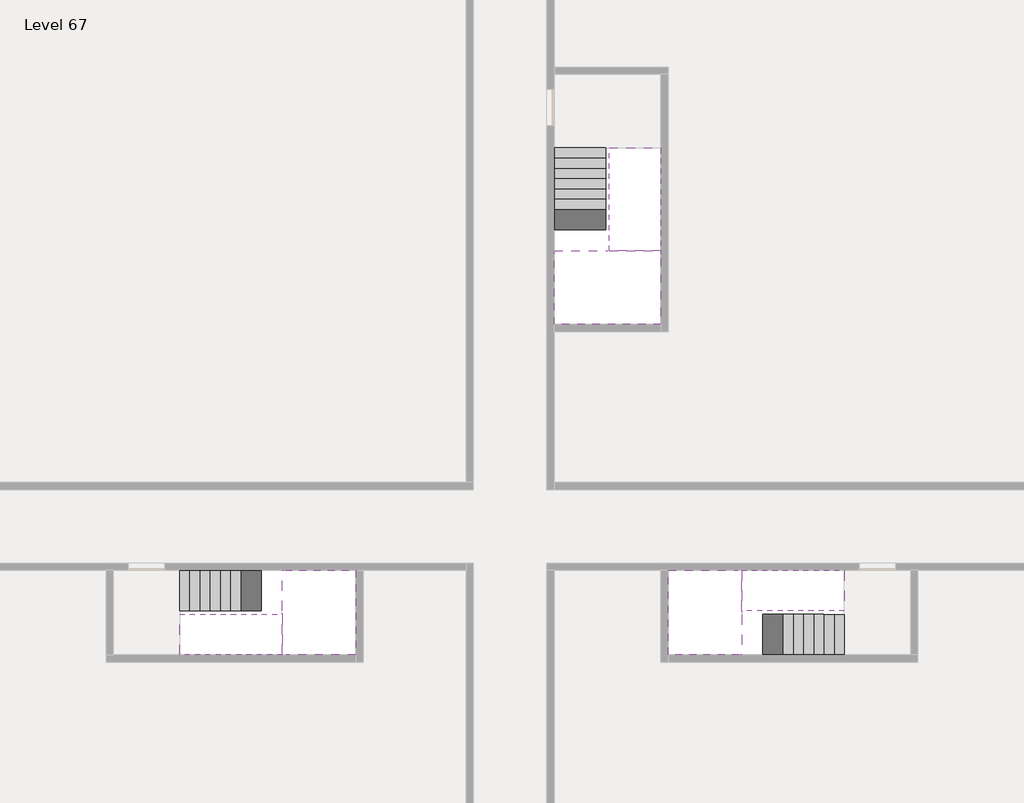
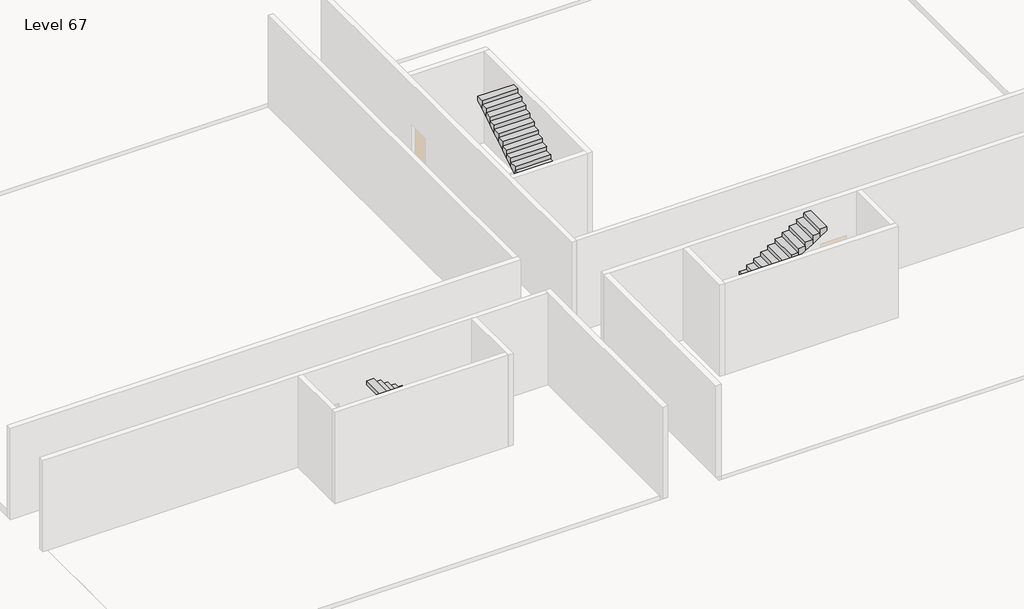
# One storey, part 2 of 2: 6 stair flights, 3 slabs.
"""IFC4 building model written with IfcOpenShell, lengths in millimetres."""

from ifc_helpers import new_model, si_unit, origin, place, context, project, spatial, faceted_brep, element, save

model = new_model("IFC4")

# Units and contexts
model_context = context("Model", 3, world=origin())
ifc_project = project(units=[si_unit("LENGTHUNIT", "METRE", prefix="MILLI")], contexts=[model_context])

# Site, building, storey
site = spatial("IfcSite", under=ifc_project)
building = spatial("IfcBuilding", under=site)
storey = spatial("IfcBuildingStorey", under=building, Name="Level 67", Elevation=250800.0)

# Slabs
placement = place(None, origin())
element("IfcSlab", 1, at=placement, inside=storey, context=model_context, shape_type="Brep", body=[
    faceted_brep([(26790.1058784, -34218.09644, 252700.0), (25390.1058784, -34218.09644, 252700.0), (25390.1058784, -34297.4828763, 252700.0), (25390.1058784, -36218.09644, 252700.0), (28290.1058784, -36218.09644, 252700.0), (28290.1058784, -34418.7100038, 252700.0), (28290.1058784, -34218.09644, 252700.0), (26890.1058784, -34218.09644, 252700.0), (26790.1058784, -34218.09644, 252400.0), (26790.1058784, -34218.09644, 252351.0278478), (25390.1058784, -34218.09644, 252351.0278478), (25390.1058784, -34218.09644, 252527.2727273), (25390.1058784, -34297.4828763, 252400.0), (25390.1058784, -36218.09644, 252400.0), (28290.1058784, -36218.09644, 252400.0), (28290.1058784, -34418.7100038, 252400.0), (28290.1058784, -34218.09644, 252523.7551205), (26890.1058784, -34218.09644, 252523.7551205), (26890.1058784, -34218.09644, 252400.0), (26890.1058784, -34418.7100038, 252400.0), (26790.1058784, -34297.4828763, 252400.0)], [[[0, 1, 2, 3, 4, 5, 6, 7]], [[1, 0, 8, 9, 10, 11]], [[1, 11, 10, 12, 13, 3, 2]], [[4, 3, 13, 14]], [[4, 14, 15, 16, 6, 5]], [[7, 6, 16, 17]], [[0, 7, 17, 18, 8]], [[18, 19, 15, 14, 13, 12, 20, 8]], [[19, 18, 17]], [[20, 12, 10, 9]], [[8, 20, 9]], [[15, 19, 17, 16]]]),
])
element("IfcSlab", 2, at=placement, inside=storey, context=model_context, shape_type="Brep", body=[
    faceted_brep([(30490.1058784, -45218.09644, 252700.0), (30490.1058784, -44118.09644, 252700.0), (30490.1058784, -44018.09644, 252700.0), (30490.1058784, -42918.09644, 252700.0), (30289.4923146, -42918.09644, 252700.0), (28490.1058784, -42918.09644, 252700.0), (28490.1058784, -45218.09644, 252700.0), (30410.7194421, -45218.09644, 252700.0), (30490.1058784, -45218.09644, 252527.2727273), (30490.1058784, -45218.09644, 252351.0278478), (30490.1058784, -44118.09644, 252351.0278478), (30490.1058784, -44118.09644, 252400.0), (30490.1058784, -44018.09644, 252400.0), (30490.1058784, -44018.09644, 252523.7551205), (30490.1058784, -42918.09644, 252523.7551205), (30289.4923146, -42918.09644, 252400.0), (28490.1058784, -42918.09644, 252400.0), (28490.1058784, -45218.09644, 252400.0), (30410.7194421, -45218.09644, 252400.0), (30289.4923146, -44018.09644, 252400.0), (30410.7194421, -44118.09644, 252400.0)], [[[0, 1, 2, 3, 4, 5, 6, 7]], [[1, 0, 8, 9, 10, 11]], [[2, 1, 11, 12, 13]], [[3, 2, 13, 14]], [[3, 14, 15, 16, 5, 4]], [[6, 5, 16, 17]], [[9, 8, 0, 7, 6, 17, 18]], [[19, 12, 11, 20, 18, 17, 16, 15]], [[12, 19, 13]], [[18, 20, 10, 9]], [[20, 11, 10]], [[19, 15, 14, 13]]]),
])
element("IfcSlab", 3, at=placement, inside=storey, context=model_context, shape_type="Brep", body=[
    faceted_brep([(17990.1058784, -42918.09644, 252700.0), (17990.1058784, -44018.09644, 252700.0), (17990.1058784, -44118.09644, 252700.0), (17990.1058784, -45218.09644, 252700.0), (18190.7194421, -45218.09644, 252700.0), (19990.1058784, -45218.09644, 252700.0), (19990.1058784, -42918.09644, 252700.0), (18069.4923146, -42918.09644, 252700.0), (17990.1058784, -42918.09644, 252527.2727273), (17990.1058784, -42918.09644, 252351.0278478), (17990.1058784, -44018.09644, 252351.0278478), (17990.1058784, -44018.09644, 252400.0), (17990.1058784, -44118.09644, 252400.0), (17990.1058784, -44118.09644, 252523.7551205), (17990.1058784, -45218.09644, 252523.7551205), (18190.7194421, -45218.09644, 252400.0), (19990.1058784, -45218.09644, 252400.0), (19990.1058784, -42918.09644, 252400.0), (18069.4923146, -42918.09644, 252400.0), (18190.7194421, -44118.09644, 252400.0), (18069.4923146, -44018.09644, 252400.0)], [[[0, 1, 2, 3, 4, 5, 6, 7]], [[1, 0, 8, 9, 10, 11]], [[2, 1, 11, 12, 13]], [[3, 2, 13, 14]], [[3, 14, 15, 16, 5, 4]], [[6, 5, 16, 17]], [[9, 8, 0, 7, 6, 17, 18]], [[19, 12, 11, 20, 18, 17, 16, 15]], [[12, 19, 13]], [[18, 20, 10, 9]], [[20, 11, 10]], [[19, 15, 14, 13]]]),
])

# Stair flights
element("IfcStairFlight", 4, at=placement, inside=storey, context=model_context, shape_type="Brep", body=[
    faceted_brep([(26790.1058784, -31698.09644, 250972.7272727), (26790.1058784, -31418.09644, 250972.7272727), (25390.1058784, -31418.09644, 250972.7272727), (25390.1058784, -31698.09644, 250972.7272727), (26790.1058784, -31698.09644, 250800.0), (26790.1058784, -31418.09644, 250800.0), (25390.1058784, -31418.09644, 250800.0), (25390.1058784, -31698.09644, 250800.0), (26790.1058784, -31978.09644, 251145.4545455), (26790.1058784, -31698.09644, 251145.4545455), (25390.1058784, -31698.09644, 251145.4545455), (25390.1058784, -31978.09644, 251145.4545455), (26790.1058784, -31978.09644, 250969.209666), (26790.1058784, -31703.7986657, 250800.0), (25390.1058784, -31703.7986657, 250800.0), (25390.1058784, -31978.09644, 250969.209666), (26790.1058784, -32258.09644, 251318.1818182), (26790.1058784, -31978.09644, 251318.1818182), (25390.1058784, -31978.09644, 251318.1818182), (25390.1058784, -32258.09644, 251318.1818182), (26790.1058784, -32258.09644, 251141.9369387), (25390.1058784, -32258.09644, 251141.9369387), (26790.1058784, -32538.09644, 251490.9090909), (26790.1058784, -32258.09644, 251490.9090909), (25390.1058784, -32258.09644, 251490.9090909), (25390.1058784, -32538.09644, 251490.9090909), (26790.1058784, -32538.09644, 251314.6642114), (25390.1058784, -32538.09644, 251314.6642114), (26790.1058784, -32818.09644, 251663.6363636), (26790.1058784, -32538.09644, 251663.6363636), (25390.1058784, -32538.09644, 251663.6363636), (25390.1058784, -32818.09644, 251663.6363636), (26790.1058784, -32818.09644, 251487.3914841), (25390.1058784, -32818.09644, 251487.3914841), (26790.1058784, -33098.09644, 251836.3636364), (26790.1058784, -32818.09644, 251836.3636364), (25390.1058784, -32818.09644, 251836.3636364), (25390.1058784, -33098.09644, 251836.3636364), (26790.1058784, -33098.09644, 251660.1187569), (25390.1058784, -33098.09644, 251660.1187569), (26790.1058784, -33378.09644, 252009.0909091), (26790.1058784, -33098.09644, 252009.0909091), (25390.1058784, -33098.09644, 252009.0909091), (25390.1058784, -33378.09644, 252009.0909091), (26790.1058784, -33378.09644, 251832.8460296), (25390.1058784, -33378.09644, 251832.8460296), (26790.1058784, -33658.09644, 252181.8181818), (26790.1058784, -33378.09644, 252181.8181818), (25390.1058784, -33378.09644, 252181.8181818), (25390.1058784, -33658.09644, 252181.8181818), (26790.1058784, -33658.09644, 252005.5733023), (25390.1058784, -33658.09644, 252005.5733023), (26790.1058784, -33938.09644, 252354.5454545), (26790.1058784, -33658.09644, 252354.5454545), (25390.1058784, -33658.09644, 252354.5454545), (25390.1058784, -33938.09644, 252354.5454545), (26790.1058784, -33938.09644, 252178.3005751), (25390.1058784, -33938.09644, 252178.3005751), (26790.1058784, -34218.09644, 252527.2727273), (26790.1058784, -33938.09644, 252527.2727273), (25390.1058784, -33938.09644, 252527.2727273), (25390.1058784, -34218.09644, 252527.2727273), (26790.1058784, -34218.09644, 252400.0), (26790.1058784, -34218.09644, 252351.0278478), (25390.1058784, -34218.09644, 252351.0278478)], [[[0, 1, 2, 3]], [[1, 0, 4, 5]], [[2, 1, 5, 6]], [[3, 2, 6, 7]], [[8, 9, 10, 11]], [[4, 0, 9, 8, 12, 13]], [[0, 3, 10, 9]], [[3, 7, 14, 15, 11, 10]], [[16, 17, 18, 19]], [[17, 16, 20, 12, 8]], [[8, 11, 18, 17]], [[19, 18, 11, 15, 21]], [[22, 23, 24, 25]], [[23, 22, 26, 20, 16]], [[16, 19, 24, 23]], [[25, 24, 19, 21, 27]], [[28, 29, 30, 31]], [[29, 28, 32, 26, 22]], [[22, 25, 30, 29]], [[31, 30, 25, 27, 33]], [[34, 35, 36, 37]], [[35, 34, 38, 32, 28]], [[28, 31, 36, 35]], [[37, 36, 31, 33, 39]], [[40, 41, 42, 43]], [[41, 40, 44, 38, 34]], [[34, 37, 42, 41]], [[43, 42, 37, 39, 45]], [[46, 47, 48, 49]], [[47, 46, 50, 44, 40]], [[40, 43, 48, 47]], [[49, 48, 43, 45, 51]], [[52, 53, 54, 55]], [[53, 52, 56, 50, 46]], [[46, 49, 54, 53]], [[55, 54, 49, 51, 57]], [[58, 59, 60, 61]], [[59, 58, 62, 63, 56, 52]], [[52, 55, 60, 59]], [[61, 60, 55, 57, 64]], [[58, 61, 64, 63, 62]], [[5, 4, 13, 14, 7, 6]], [[14, 13, 12, 20, 26, 32, 38, 44, 50, 56, 63, 64, 57, 51, 45, 39, 33, 27, 21, 15]]]),
])
element("IfcStairFlight", 5, at=placement, inside=storey, context=model_context, shape_type="Brep", body=[
    faceted_brep([(26890.1058784, -33938.09644, 252872.7272727), (26890.1058784, -34218.09644, 252872.7272727), (28290.1058784, -34218.09644, 252872.7272727), (28290.1058784, -33938.09644, 252872.7272727), (26890.1058784, -33938.09644, 252696.4823932), (26890.1058784, -34218.09644, 252523.7551205), (28290.1058784, -34218.09644, 252523.7551205), (28290.1058784, -34218.09644, 252700.0), (28290.1058784, -33938.09644, 252696.4823932), (26890.1058784, -33658.09644, 253045.4545455), (26890.1058784, -33938.09644, 253045.4545455), (28290.1058784, -33938.09644, 253045.4545455), (28290.1058784, -33658.09644, 253045.4545455), (26890.1058784, -33658.09644, 252869.209666), (28290.1058784, -33658.09644, 252869.209666), (26890.1058784, -33378.09644, 253218.1818182), (26890.1058784, -33658.09644, 253218.1818182), (28290.1058784, -33658.09644, 253218.1818182), (28290.1058784, -33378.09644, 253218.1818182), (26890.1058784, -33378.09644, 253041.9369387), (28290.1058784, -33378.09644, 253041.9369387), (26890.1058784, -33098.09644, 253390.9090909), (26890.1058784, -33378.09644, 253390.9090909), (28290.1058784, -33378.09644, 253390.9090909), (28290.1058784, -33098.09644, 253390.9090909), (26890.1058784, -33098.09644, 253214.6642114), (28290.1058784, -33098.09644, 253214.6642114), (26890.1058784, -32818.09644, 253563.6363636), (26890.1058784, -33098.09644, 253563.6363636), (28290.1058784, -33098.09644, 253563.6363636), (28290.1058784, -32818.09644, 253563.6363636), (26890.1058784, -32818.09644, 253387.3914841), (28290.1058784, -32818.09644, 253387.3914841), (26890.1058784, -32538.09644, 253736.3636364), (26890.1058784, -32818.09644, 253736.3636364), (28290.1058784, -32818.09644, 253736.3636364), (28290.1058784, -32538.09644, 253736.3636364), (26890.1058784, -32538.09644, 253560.1187569), (28290.1058784, -32538.09644, 253560.1187569), (26890.1058784, -32258.09644, 253909.0909091), (26890.1058784, -32538.09644, 253909.0909091), (28290.1058784, -32538.09644, 253909.0909091), (28290.1058784, -32258.09644, 253909.0909091), (26890.1058784, -32258.09644, 253732.8460296), (28290.1058784, -32258.09644, 253732.8460296), (26890.1058784, -31978.09644, 254081.8181818), (26890.1058784, -32258.09644, 254081.8181818), (28290.1058784, -32258.09644, 254081.8181818), (28290.1058784, -31978.09644, 254081.8181818), (26890.1058784, -31978.09644, 253905.5733023), (28290.1058784, -31978.09644, 253905.5733023), (26890.1058784, -31698.09644, 254254.5454545), (26890.1058784, -31978.09644, 254254.5454545), (28290.1058784, -31978.09644, 254254.5454545), (28290.1058784, -31698.09644, 254254.5454545), (26890.1058784, -31698.09644, 254078.3005751), (28290.1058784, -31698.09644, 254078.3005751), (26890.1058784, -31418.09644, 254427.2727273), (26890.1058784, -31698.09644, 254427.2727273), (28290.1058784, -31698.09644, 254427.2727273), (28290.1058784, -31418.09644, 254427.2727273), (26890.1058784, -31418.09644, 254251.0278478), (28290.1058784, -31418.09644, 254251.0278478)], [[[0, 1, 2, 3]], [[1, 0, 4, 5]], [[2, 1, 5, 6, 7]], [[3, 2, 7, 6, 8]], [[9, 10, 11, 12]], [[10, 9, 13, 4, 0]], [[11, 10, 0, 3]], [[12, 11, 3, 8, 14]], [[15, 16, 17, 18]], [[16, 15, 19, 13, 9]], [[17, 16, 9, 12]], [[18, 17, 12, 14, 20]], [[21, 22, 23, 24]], [[22, 21, 25, 19, 15]], [[23, 22, 15, 18]], [[24, 23, 18, 20, 26]], [[27, 28, 29, 30]], [[28, 27, 31, 25, 21]], [[29, 28, 21, 24]], [[30, 29, 24, 26, 32]], [[33, 34, 35, 36]], [[34, 33, 37, 31, 27]], [[35, 34, 27, 30]], [[36, 35, 30, 32, 38]], [[39, 40, 41, 42]], [[40, 39, 43, 37, 33]], [[41, 40, 33, 36]], [[42, 41, 36, 38, 44]], [[45, 46, 47, 48]], [[46, 45, 49, 43, 39]], [[47, 46, 39, 42]], [[48, 47, 42, 44, 50]], [[51, 52, 53, 54]], [[52, 51, 55, 49, 45]], [[53, 52, 45, 48]], [[54, 53, 48, 50, 56]], [[57, 58, 59, 60]], [[58, 57, 61, 55, 51]], [[59, 58, 51, 54]], [[60, 59, 54, 56, 62]], [[57, 60, 62, 61]], [[5, 4, 13, 19, 25, 31, 37, 43, 49, 55, 61, 62, 56, 50, 44, 38, 32, 26, 20, 14, 8, 6]]]),
])
element("IfcStairFlight", 6, at=placement, inside=storey, context=model_context, shape_type="Brep", body=[
    faceted_brep([(33010.1058784, -45218.09644, 250972.7272727), (33290.1058784, -45218.09644, 250972.7272727), (33290.1058784, -44118.09644, 250972.7272727), (33010.1058784, -44118.09644, 250972.7272727), (33010.1058784, -45218.09644, 250800.0), (33290.1058784, -45218.09644, 250800.0), (33290.1058784, -44118.09644, 250800.0), (33010.1058784, -44118.09644, 250800.0), (32730.1058784, -45218.09644, 251145.4545455), (33010.1058784, -45218.09644, 251145.4545455), (33010.1058784, -44118.09644, 251145.4545455), (32730.1058784, -44118.09644, 251145.4545455), (32730.1058784, -45218.09644, 250969.209666), (33004.4036527, -45218.09644, 250800.0), (33004.4036527, -44118.09644, 250800.0), (32730.1058784, -44118.09644, 250969.209666), (32450.1058784, -45218.09644, 251318.1818182), (32730.1058784, -45218.09644, 251318.1818182), (32730.1058784, -44118.09644, 251318.1818182), (32450.1058784, -44118.09644, 251318.1818182), (32450.1058784, -45218.09644, 251141.9369387), (32450.1058784, -44118.09644, 251141.9369387), (32170.1058784, -45218.09644, 251490.9090909), (32450.1058784, -45218.09644, 251490.9090909), (32450.1058784, -44118.09644, 251490.9090909), (32170.1058784, -44118.09644, 251490.9090909), (32170.1058784, -45218.09644, 251314.6642114), (32170.1058784, -44118.09644, 251314.6642114), (31890.1058784, -45218.09644, 251663.6363636), (32170.1058784, -45218.09644, 251663.6363636), (32170.1058784, -44118.09644, 251663.6363636), (31890.1058784, -44118.09644, 251663.6363636), (31890.1058784, -45218.09644, 251487.3914841), (31890.1058784, -44118.09644, 251487.3914841), (31610.1058784, -45218.09644, 251836.3636364), (31890.1058784, -45218.09644, 251836.3636364), (31890.1058784, -44118.09644, 251836.3636364), (31610.1058784, -44118.09644, 251836.3636364), (31610.1058784, -45218.09644, 251660.1187569), (31610.1058784, -44118.09644, 251660.1187569), (31330.1058784, -45218.09644, 252009.0909091), (31610.1058784, -45218.09644, 252009.0909091), (31610.1058784, -44118.09644, 252009.0909091), (31330.1058784, -44118.09644, 252009.0909091), (31330.1058784, -45218.09644, 251832.8460296), (31330.1058784, -44118.09644, 251832.8460296), (31050.1058784, -45218.09644, 252181.8181818), (31330.1058784, -45218.09644, 252181.8181818), (31330.1058784, -44118.09644, 252181.8181818), (31050.1058784, -44118.09644, 252181.8181818), (31050.1058784, -45218.09644, 252005.5733023), (31050.1058784, -44118.09644, 252005.5733023), (30770.1058784, -45218.09644, 252354.5454545), (31050.1058784, -45218.09644, 252354.5454545), (31050.1058784, -44118.09644, 252354.5454545), (30770.1058784, -44118.09644, 252354.5454545), (30770.1058784, -45218.09644, 252178.3005751), (30770.1058784, -44118.09644, 252178.3005751), (30490.1058784, -45218.09644, 252527.2727273), (30770.1058784, -45218.09644, 252527.2727273), (30770.1058784, -44118.09644, 252527.2727273), (30490.1058784, -44118.09644, 252527.2727273), (30490.1058784, -45218.09644, 252351.0278478), (30490.1058784, -44118.09644, 252351.0278478), (30490.1058784, -44118.09644, 252400.0)], [[[0, 1, 2, 3]], [[1, 0, 4, 5]], [[2, 1, 5, 6]], [[3, 2, 6, 7]], [[8, 9, 10, 11]], [[4, 0, 9, 8, 12, 13]], [[0, 3, 10, 9]], [[3, 7, 14, 15, 11, 10]], [[16, 17, 18, 19]], [[17, 16, 20, 12, 8]], [[8, 11, 18, 17]], [[19, 18, 11, 15, 21]], [[22, 23, 24, 25]], [[23, 22, 26, 20, 16]], [[16, 19, 24, 23]], [[25, 24, 19, 21, 27]], [[28, 29, 30, 31]], [[29, 28, 32, 26, 22]], [[22, 25, 30, 29]], [[31, 30, 25, 27, 33]], [[34, 35, 36, 37]], [[35, 34, 38, 32, 28]], [[28, 31, 36, 35]], [[37, 36, 31, 33, 39]], [[40, 41, 42, 43]], [[41, 40, 44, 38, 34]], [[34, 37, 42, 41]], [[43, 42, 37, 39, 45]], [[46, 47, 48, 49]], [[47, 46, 50, 44, 40]], [[40, 43, 48, 47]], [[49, 48, 43, 45, 51]], [[52, 53, 54, 55]], [[53, 52, 56, 50, 46]], [[46, 49, 54, 53]], [[55, 54, 49, 51, 57]], [[58, 59, 60, 61]], [[59, 58, 62, 56, 52]], [[52, 55, 60, 59]], [[61, 60, 55, 57, 63, 64]], [[58, 61, 64, 63, 62]], [[5, 4, 13, 14, 7, 6]], [[14, 13, 12, 20, 26, 32, 38, 44, 50, 56, 62, 63, 57, 51, 45, 39, 33, 27, 21, 15]]]),
])
element("IfcStairFlight", 7, at=placement, inside=storey, context=model_context, shape_type="Brep", body=[
    faceted_brep([(30770.1058784, -42918.09644, 252872.7272727), (30490.1058784, -42918.09644, 252872.7272727), (30490.1058784, -44018.09644, 252872.7272727), (30770.1058784, -44018.09644, 252872.7272727), (30770.1058784, -42918.09644, 252696.4823932), (30490.1058784, -42918.09644, 252523.7551205), (30490.1058784, -42918.09644, 252700.0), (30490.1058784, -44018.09644, 252523.7551205), (30770.1058784, -44018.09644, 252696.4823932), (31050.1058784, -42918.09644, 253045.4545455), (30770.1058784, -42918.09644, 253045.4545455), (30770.1058784, -44018.09644, 253045.4545455), (31050.1058784, -44018.09644, 253045.4545455), (31050.1058784, -42918.09644, 252869.209666), (31050.1058784, -44018.09644, 252869.209666), (31330.1058784, -42918.09644, 253218.1818182), (31050.1058784, -42918.09644, 253218.1818182), (31050.1058784, -44018.09644, 253218.1818182), (31330.1058784, -44018.09644, 253218.1818182), (31330.1058784, -42918.09644, 253041.9369387), (31330.1058784, -44018.09644, 253041.9369387), (31610.1058784, -42918.09644, 253390.9090909), (31330.1058784, -42918.09644, 253390.9090909), (31330.1058784, -44018.09644, 253390.9090909), (31610.1058784, -44018.09644, 253390.9090909), (31610.1058784, -42918.09644, 253214.6642114), (31610.1058784, -44018.09644, 253214.6642114), (31890.1058784, -42918.09644, 253563.6363636), (31610.1058784, -42918.09644, 253563.6363636), (31610.1058784, -44018.09644, 253563.6363636), (31890.1058784, -44018.09644, 253563.6363636), (31890.1058784, -42918.09644, 253387.3914841), (31890.1058784, -44018.09644, 253387.3914841), (32170.1058784, -42918.09644, 253736.3636364), (31890.1058784, -42918.09644, 253736.3636364), (31890.1058784, -44018.09644, 253736.3636364), (32170.1058784, -44018.09644, 253736.3636364), (32170.1058784, -42918.09644, 253560.1187569), (32170.1058784, -44018.09644, 253560.1187569), (32450.1058784, -42918.09644, 253909.0909091), (32170.1058784, -42918.09644, 253909.0909091), (32170.1058784, -44018.09644, 253909.0909091), (32450.1058784, -44018.09644, 253909.0909091), (32450.1058784, -42918.09644, 253732.8460296), (32450.1058784, -44018.09644, 253732.8460296), (32730.1058784, -42918.09644, 254081.8181818), (32450.1058784, -42918.09644, 254081.8181818), (32450.1058784, -44018.09644, 254081.8181818), (32730.1058784, -44018.09644, 254081.8181818), (32730.1058784, -42918.09644, 253905.5733023), (32730.1058784, -44018.09644, 253905.5733023), (33010.1058784, -42918.09644, 254254.5454545), (32730.1058784, -42918.09644, 254254.5454545), (32730.1058784, -44018.09644, 254254.5454545), (33010.1058784, -44018.09644, 254254.5454545), (33010.1058784, -42918.09644, 254078.3005751), (33010.1058784, -44018.09644, 254078.3005751), (33290.1058784, -42918.09644, 254427.2727273), (33010.1058784, -42918.09644, 254427.2727273), (33010.1058784, -44018.09644, 254427.2727273), (33290.1058784, -44018.09644, 254427.2727273), (33290.1058784, -42918.09644, 254251.0278478), (33290.1058784, -44018.09644, 254251.0278478)], [[[0, 1, 2, 3]], [[1, 0, 4, 5, 6]], [[2, 1, 6, 5, 7]], [[3, 2, 7, 8]], [[9, 10, 11, 12]], [[10, 9, 13, 4, 0]], [[11, 10, 0, 3]], [[12, 11, 3, 8, 14]], [[15, 16, 17, 18]], [[16, 15, 19, 13, 9]], [[17, 16, 9, 12]], [[18, 17, 12, 14, 20]], [[21, 22, 23, 24]], [[22, 21, 25, 19, 15]], [[23, 22, 15, 18]], [[24, 23, 18, 20, 26]], [[27, 28, 29, 30]], [[28, 27, 31, 25, 21]], [[29, 28, 21, 24]], [[30, 29, 24, 26, 32]], [[33, 34, 35, 36]], [[34, 33, 37, 31, 27]], [[35, 34, 27, 30]], [[36, 35, 30, 32, 38]], [[39, 40, 41, 42]], [[40, 39, 43, 37, 33]], [[41, 40, 33, 36]], [[42, 41, 36, 38, 44]], [[45, 46, 47, 48]], [[46, 45, 49, 43, 39]], [[47, 46, 39, 42]], [[48, 47, 42, 44, 50]], [[51, 52, 53, 54]], [[52, 51, 55, 49, 45]], [[53, 52, 45, 48]], [[54, 53, 48, 50, 56]], [[57, 58, 59, 60]], [[58, 57, 61, 55, 51]], [[59, 58, 51, 54]], [[60, 59, 54, 56, 62]], [[57, 60, 62, 61]], [[5, 4, 13, 19, 25, 31, 37, 43, 49, 55, 61, 62, 56, 50, 44, 38, 32, 26, 20, 14, 8, 7]]]),
])
element("IfcStairFlight", 8, at=placement, inside=storey, context=model_context, shape_type="Brep", body=[
    faceted_brep([(15470.1058784, -42918.09644, 250972.7272727), (15190.1058784, -42918.09644, 250972.7272727), (15190.1058784, -44018.09644, 250972.7272727), (15470.1058784, -44018.09644, 250972.7272727), (15470.1058784, -42918.09644, 250800.0), (15190.1058784, -42918.09644, 250800.0), (15190.1058784, -44018.09644, 250800.0), (15470.1058784, -44018.09644, 250800.0), (15750.1058784, -42918.09644, 251145.4545455), (15470.1058784, -42918.09644, 251145.4545455), (15470.1058784, -44018.09644, 251145.4545455), (15750.1058784, -44018.09644, 251145.4545455), (15750.1058784, -42918.09644, 250969.209666), (15475.8081041, -42918.09644, 250800.0), (15475.8081041, -44018.09644, 250800.0), (15750.1058784, -44018.09644, 250969.209666), (16030.1058784, -42918.09644, 251318.1818182), (15750.1058784, -42918.09644, 251318.1818182), (15750.1058784, -44018.09644, 251318.1818182), (16030.1058784, -44018.09644, 251318.1818182), (16030.1058784, -42918.09644, 251141.9369387), (16030.1058784, -44018.09644, 251141.9369387), (16310.1058784, -42918.09644, 251490.9090909), (16030.1058784, -42918.09644, 251490.9090909), (16030.1058784, -44018.09644, 251490.9090909), (16310.1058784, -44018.09644, 251490.9090909), (16310.1058784, -42918.09644, 251314.6642114), (16310.1058784, -44018.09644, 251314.6642114), (16590.1058784, -42918.09644, 251663.6363636), (16310.1058784, -42918.09644, 251663.6363636), (16310.1058784, -44018.09644, 251663.6363636), (16590.1058784, -44018.09644, 251663.6363636), (16590.1058784, -42918.09644, 251487.3914841), (16590.1058784, -44018.09644, 251487.3914841), (16870.1058784, -42918.09644, 251836.3636364), (16590.1058784, -42918.09644, 251836.3636364), (16590.1058784, -44018.09644, 251836.3636364), (16870.1058784, -44018.09644, 251836.3636364), (16870.1058784, -42918.09644, 251660.1187569), (16870.1058784, -44018.09644, 251660.1187569), (17150.1058784, -42918.09644, 252009.0909091), (16870.1058784, -42918.09644, 252009.0909091), (16870.1058784, -44018.09644, 252009.0909091), (17150.1058784, -44018.09644, 252009.0909091), (17150.1058784, -42918.09644, 251832.8460296), (17150.1058784, -44018.09644, 251832.8460296), (17430.1058784, -42918.09644, 252181.8181818), (17150.1058784, -42918.09644, 252181.8181818), (17150.1058784, -44018.09644, 252181.8181818), (17430.1058784, -44018.09644, 252181.8181818), (17430.1058784, -42918.09644, 252005.5733023), (17430.1058784, -44018.09644, 252005.5733023), (17710.1058784, -42918.09644, 252354.5454545), (17430.1058784, -42918.09644, 252354.5454545), (17430.1058784, -44018.09644, 252354.5454545), (17710.1058784, -44018.09644, 252354.5454545), (17710.1058784, -42918.09644, 252178.3005751), (17710.1058784, -44018.09644, 252178.3005751), (17990.1058784, -42918.09644, 252527.2727273), (17710.1058784, -42918.09644, 252527.2727273), (17710.1058784, -44018.09644, 252527.2727273), (17990.1058784, -44018.09644, 252527.2727273), (17990.1058784, -42918.09644, 252351.0278478), (17990.1058784, -44018.09644, 252351.0278478), (17990.1058784, -44018.09644, 252400.0)], [[[0, 1, 2, 3]], [[1, 0, 4, 5]], [[2, 1, 5, 6]], [[3, 2, 6, 7]], [[8, 9, 10, 11]], [[4, 0, 9, 8, 12, 13]], [[0, 3, 10, 9]], [[3, 7, 14, 15, 11, 10]], [[16, 17, 18, 19]], [[17, 16, 20, 12, 8]], [[8, 11, 18, 17]], [[19, 18, 11, 15, 21]], [[22, 23, 24, 25]], [[23, 22, 26, 20, 16]], [[16, 19, 24, 23]], [[25, 24, 19, 21, 27]], [[28, 29, 30, 31]], [[29, 28, 32, 26, 22]], [[22, 25, 30, 29]], [[31, 30, 25, 27, 33]], [[34, 35, 36, 37]], [[35, 34, 38, 32, 28]], [[28, 31, 36, 35]], [[37, 36, 31, 33, 39]], [[40, 41, 42, 43]], [[41, 40, 44, 38, 34]], [[34, 37, 42, 41]], [[43, 42, 37, 39, 45]], [[46, 47, 48, 49]], [[47, 46, 50, 44, 40]], [[40, 43, 48, 47]], [[49, 48, 43, 45, 51]], [[52, 53, 54, 55]], [[53, 52, 56, 50, 46]], [[46, 49, 54, 53]], [[55, 54, 49, 51, 57]], [[58, 59, 60, 61]], [[59, 58, 62, 56, 52]], [[52, 55, 60, 59]], [[61, 60, 55, 57, 63, 64]], [[58, 61, 64, 63, 62]], [[5, 4, 13, 14, 7, 6]], [[14, 13, 12, 20, 26, 32, 38, 44, 50, 56, 62, 63, 57, 51, 45, 39, 33, 27, 21, 15]]]),
])
element("IfcStairFlight", 9, at=placement, inside=storey, context=model_context, shape_type="Brep", body=[
    faceted_brep([(17710.1058784, -45218.09644, 252872.7272727), (17990.1058784, -45218.09644, 252872.7272727), (17990.1058784, -44118.09644, 252872.7272727), (17710.1058784, -44118.09644, 252872.7272727), (17710.1058784, -45218.09644, 252696.4823932), (17990.1058784, -45218.09644, 252523.7551205), (17990.1058784, -45218.09644, 252700.0), (17990.1058784, -44118.09644, 252523.7551205), (17710.1058784, -44118.09644, 252696.4823932), (17430.1058784, -45218.09644, 253045.4545455), (17710.1058784, -45218.09644, 253045.4545455), (17710.1058784, -44118.09644, 253045.4545455), (17430.1058784, -44118.09644, 253045.4545455), (17430.1058784, -45218.09644, 252869.209666), (17430.1058784, -44118.09644, 252869.209666), (17150.1058784, -45218.09644, 253218.1818182), (17430.1058784, -45218.09644, 253218.1818182), (17430.1058784, -44118.09644, 253218.1818182), (17150.1058784, -44118.09644, 253218.1818182), (17150.1058784, -45218.09644, 253041.9369387), (17150.1058784, -44118.09644, 253041.9369387), (16870.1058784, -45218.09644, 253390.9090909), (17150.1058784, -45218.09644, 253390.9090909), (17150.1058784, -44118.09644, 253390.9090909), (16870.1058784, -44118.09644, 253390.9090909), (16870.1058784, -45218.09644, 253214.6642114), (16870.1058784, -44118.09644, 253214.6642114), (16590.1058784, -45218.09644, 253563.6363636), (16870.1058784, -45218.09644, 253563.6363636), (16870.1058784, -44118.09644, 253563.6363636), (16590.1058784, -44118.09644, 253563.6363636), (16590.1058784, -45218.09644, 253387.3914841), (16590.1058784, -44118.09644, 253387.3914841), (16310.1058784, -45218.09644, 253736.3636364), (16590.1058784, -45218.09644, 253736.3636364), (16590.1058784, -44118.09644, 253736.3636364), (16310.1058784, -44118.09644, 253736.3636364), (16310.1058784, -45218.09644, 253560.1187569), (16310.1058784, -44118.09644, 253560.1187569), (16030.1058784, -45218.09644, 253909.0909091), (16310.1058784, -45218.09644, 253909.0909091), (16310.1058784, -44118.09644, 253909.0909091), (16030.1058784, -44118.09644, 253909.0909091), (16030.1058784, -45218.09644, 253732.8460296), (16030.1058784, -44118.09644, 253732.8460296), (15750.1058784, -45218.09644, 254081.8181818), (16030.1058784, -45218.09644, 254081.8181818), (16030.1058784, -44118.09644, 254081.8181818), (15750.1058784, -44118.09644, 254081.8181818), (15750.1058784, -45218.09644, 253905.5733023), (15750.1058784, -44118.09644, 253905.5733023), (15470.1058784, -45218.09644, 254254.5454545), (15750.1058784, -45218.09644, 254254.5454545), (15750.1058784, -44118.09644, 254254.5454545), (15470.1058784, -44118.09644, 254254.5454545), (15470.1058784, -45218.09644, 254078.3005751), (15470.1058784, -44118.09644, 254078.3005751), (15190.1058784, -45218.09644, 254427.2727273), (15470.1058784, -45218.09644, 254427.2727273), (15470.1058784, -44118.09644, 254427.2727273), (15190.1058784, -44118.09644, 254427.2727273), (15190.1058784, -45218.09644, 254251.0278478), (15190.1058784, -44118.09644, 254251.0278478)], [[[0, 1, 2, 3]], [[1, 0, 4, 5, 6]], [[2, 1, 6, 5, 7]], [[3, 2, 7, 8]], [[9, 10, 11, 12]], [[10, 9, 13, 4, 0]], [[11, 10, 0, 3]], [[12, 11, 3, 8, 14]], [[15, 16, 17, 18]], [[16, 15, 19, 13, 9]], [[17, 16, 9, 12]], [[18, 17, 12, 14, 20]], [[21, 22, 23, 24]], [[22, 21, 25, 19, 15]], [[23, 22, 15, 18]], [[24, 23, 18, 20, 26]], [[27, 28, 29, 30]], [[28, 27, 31, 25, 21]], [[29, 28, 21, 24]], [[30, 29, 24, 26, 32]], [[33, 34, 35, 36]], [[34, 33, 37, 31, 27]], [[35, 34, 27, 30]], [[36, 35, 30, 32, 38]], [[39, 40, 41, 42]], [[40, 39, 43, 37, 33]], [[41, 40, 33, 36]], [[42, 41, 36, 38, 44]], [[45, 46, 47, 48]], [[46, 45, 49, 43, 39]], [[47, 46, 39, 42]], [[48, 47, 42, 44, 50]], [[51, 52, 53, 54]], [[52, 51, 55, 49, 45]], [[53, 52, 45, 48]], [[54, 53, 48, 50, 56]], [[57, 58, 59, 60]], [[58, 57, 61, 55, 51]], [[59, 58, 51, 54]], [[60, 59, 54, 56, 62]], [[57, 60, 62, 61]], [[5, 4, 13, 19, 25, 31, 37, 43, 49, 55, 61, 62, 56, 50, 44, 38, 32, 26, 20, 14, 8, 7]]]),
])

save(model, "model.ifc")
